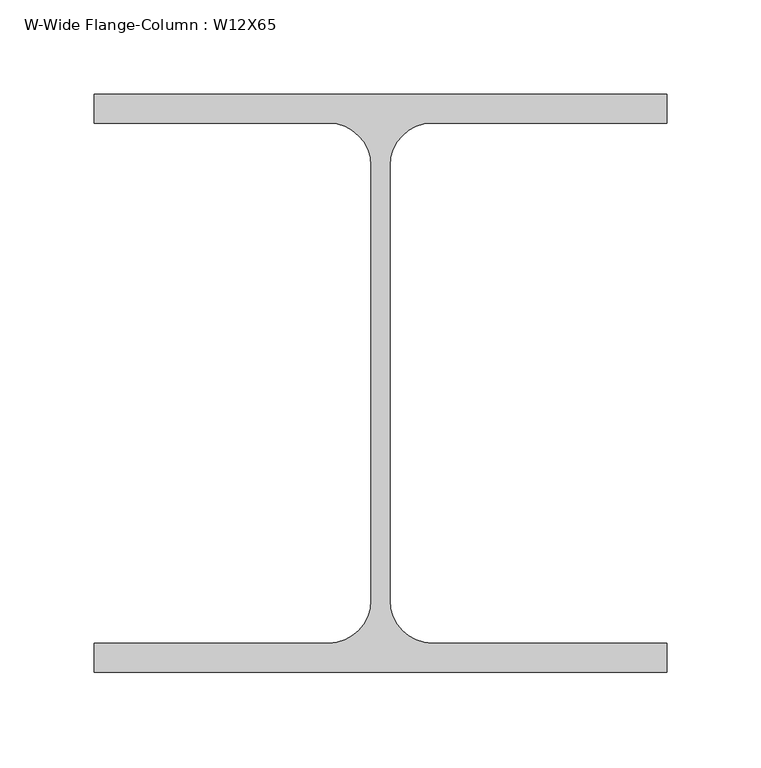
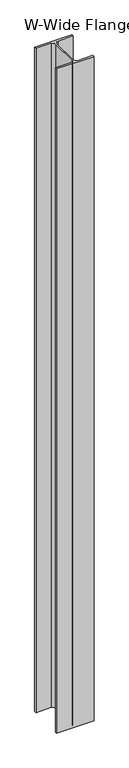
"""IFC4 building model written with IfcOpenShell, lengths in millimetres: column geometry, W-Wide Flange-Column : W12X65."""

from ifc_helpers import new_model, si_unit, point, frame, frame_2d, origin, place, context, project, spatial, polyline, circle_curve, trimmed, segment, composite_curve, outline, extrude, source, transform, mapped, element, save


def w_wide_flange_column_w12x65_13cf320c(model_context):
    return source(origin(), model_context, "Body", "SweptSolid", [
        extrude(outline(composite_curve([segment(polyline([(152.4, 153.65), (152.4, 138.25), (27.65, 138.25)]), True, "CONTINUOUS"), segment(trimmed(circle_curve(frame_2d((27.65, 115.55)), 22.7), [point((27.65, 138.25))], [point((4.95, 115.55))], True, "CARTESIAN"), True, "CONTINUOUS"), segment(polyline([(4.95, 115.55), (4.95, -115.55)]), True, "CONTINUOUS"), segment(trimmed(circle_curve(frame_2d((27.65, -115.55)), 22.7), [point((4.95, -115.55))], [point((27.65, -138.25))], True, "CARTESIAN"), True, "CONTINUOUS"), segment(polyline([(27.65, -138.25), (152.4, -138.25), (152.4, -153.65), (-152.4, -153.65), (-152.4, -138.25), (-27.65, -138.25)]), True, "CONTINUOUS"), segment(trimmed(circle_curve(frame_2d((-27.65, -115.55)), 22.7), [point((-27.65, -138.25))], [point((-4.95, -115.55))], True, "CARTESIAN"), True, "CONTINUOUS"), segment(polyline([(-4.95, -115.55), (-4.95, 115.55)]), True, "CONTINUOUS"), segment(trimmed(circle_curve(frame_2d((-27.65, 115.55)), 22.7), [point((-4.95, 115.55))], [point((-27.65, 138.25))], True, "CARTESIAN"), True, "CONTINUOUS"), segment(polyline([(-27.65, 138.25), (-152.4, 138.25), (-152.4, 153.65), (152.4, 153.65)]), True, "CONTINUOUS")], self_intersect=False)), frame((0.0, 0.0, -1851.0), z_axis=(0.0, 0.0, 1.0), x_axis=(1.0, 0.0, 0.0)), (0.0, 0.0, 1.0), 5711.0),
    ])


if __name__ == "__main__":
    model = new_model("IFC4")
    model_context = context("Model", 3, world=origin())
    ifc_project = project(units=[si_unit("LENGTHUNIT", "METRE", prefix="MILLI")], contexts=[model_context])
    site = spatial("IfcSite", under=ifc_project)
    building = spatial("IfcBuilding", under=site)
    placement = place(None, origin())
    w_wide_flange_column_w12x65_shape = w_wide_flange_column_w12x65_13cf320c(model_context)
    element("IfcColumn", 1, ObjectType="W-Wide Flange-Column : W12X65", at=placement, inside=building, context=model_context, shape_type="MappedRepresentation", body=[
        mapped(w_wide_flange_column_w12x65_shape, transform((0.0, 0.0, 0.0), x_axis=(1.0, 0.0, 0.0), y_axis=(0.0, 1.0, 0.0), z_axis=(0.0, 0.0, 1.0))),
    ])
    save(model, "model.ifc")
